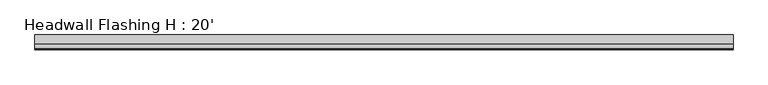
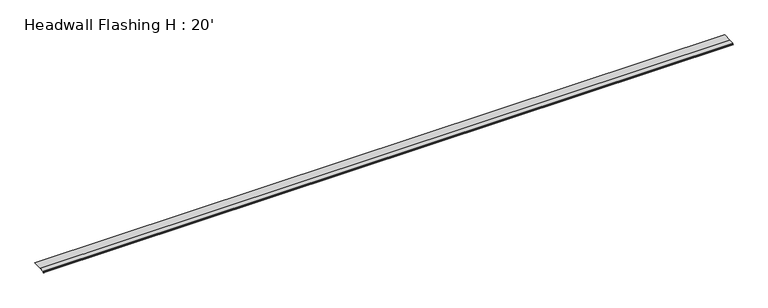
"""IFC4 building model written with IfcOpenShell, lengths in millimetres: proxy geometry, Headwall Flashing H : 20'."""

from ifc_helpers import new_model, si_unit, frame, origin, place, context, project, spatial, polyline, outline, extrude, source, transform, mapped, element, save


def headwall_flashing_h_20_dbbbee05(model_context):
    return source(origin(), model_context, "Body", "SweptSolid", [
        extrude(outline(polyline([(-24.8774117, -13.5748588), (-21.2130453, -11.0090419), (-17.5881307, -4.7305056), (24.0889055, -1.0842374), (104.4120054, -1.0842374), (104.4120054, -2.6083572), (24.8826555, -2.6083572), (-16.6265155, -6.2399391), (-20.0142001, -12.1075811), (-23.9668591, -14.8752627), (-24.8774117, -13.5748588)])), frame((0.0, 0.0, 0.0), z_axis=(1.0, 0.0, 0.0), x_axis=(0.0, 1.0, 0.0)), (0.0, 0.0, 1.0), 6096.0),
    ])


if __name__ == "__main__":
    model = new_model("IFC4")
    model_context = context("Model", 3, world=origin())
    ifc_project = project(units=[si_unit("LENGTHUNIT", "METRE", prefix="MILLI")], contexts=[model_context])
    site = spatial("IfcSite", under=ifc_project)
    building = spatial("IfcBuilding", under=site)
    placement = place(None, origin())
    headwall_flashing_h_20_shape = headwall_flashing_h_20_dbbbee05(model_context)
    element("IfcBuildingElementProxy", 1, Name="Headwall Flashing H : 20'", ObjectType="Headwall Flashing H : 20'", at=placement, inside=building, context=model_context, shape_type="MappedRepresentation", body=[
        mapped(headwall_flashing_h_20_shape, transform((0.0, 0.0, 0.0), x_axis=(1.0, 0.0, 0.0), y_axis=(0.0, 1.0, 0.0), z_axis=(0.0, 0.0, 1.0))),
    ])
    save(model, "model.ifc")
